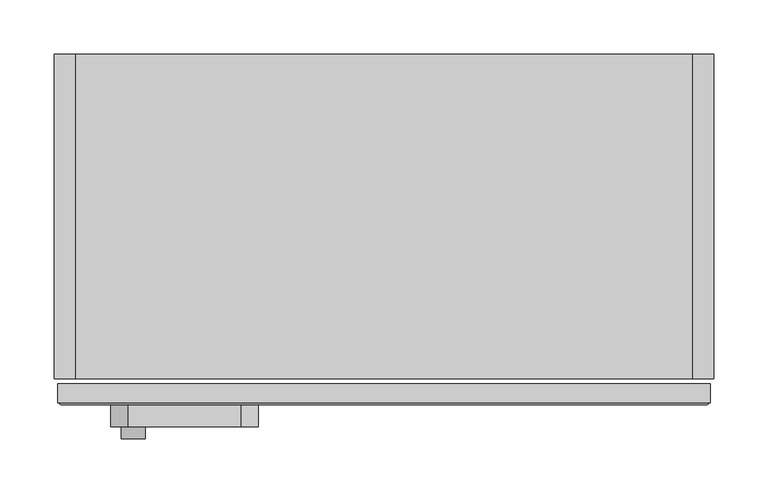
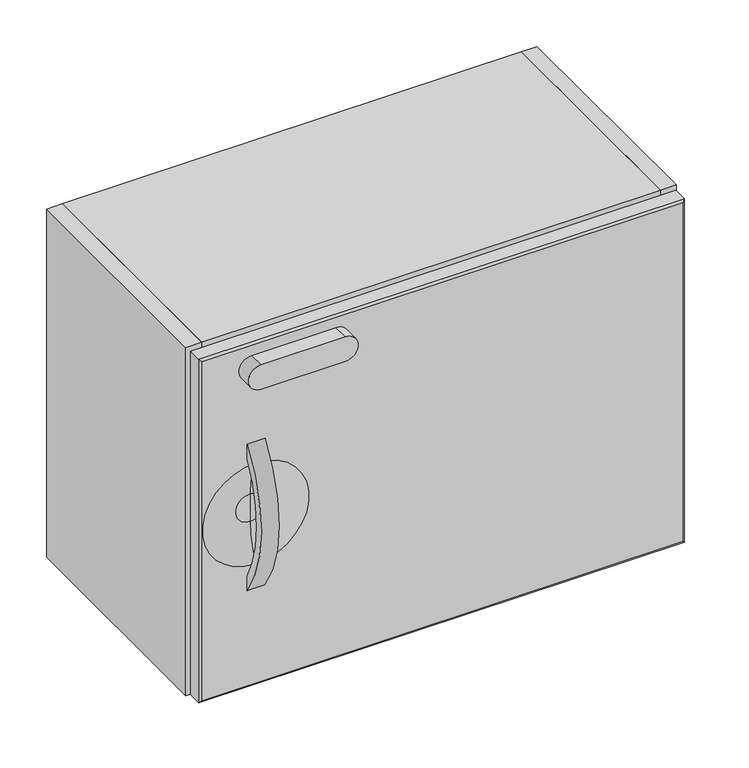
"""IFC4 building model written with IfcOpenShell, lengths in millimetres: furniture geometry."""

from ifc_helpers import new_model, si_unit, point, frame, frame_2d, origin, place, context, project, spatial, polyline, circle_curve, ellipse_curve, trimmed, segment, composite_curve, outline, extrude, source, transform, mapped, element, save
from ifc_brep_helpers import plane_surface, revolved_surface, advanced_brep


def furniture_ad2a8294(model_context):
    return source(origin(), model_context, "Body", "SolidModel", [
        extrude(outline(composite_curve([segment(polyline([(-162.2904196, 830.2662798), (-162.2904196, 811.3559696)]), True, "CONTINUOUS"), segment(trimmed(circle_curve(frame_2d((-32.4271698, 734.3812713)), 150.9621404), [point((-162.2904196, 811.3559696))], [point((-161.9885, 656.8994698))], True, "CARTESIAN"), True, "CONTINUOUS"), segment(polyline([(-161.9885, 656.8994698), (-161.9885, 638.0783392)]), True, "CONTINUOUS"), segment(trimmed(circle_curve(frame_2d((-29.1183363, 734.3812804)), 164.0997772), [point((-161.9885, 638.0783392))], [point((-162.2904196, 830.2662798))], False, "CARTESIAN"), True, "CONTINUOUS")], self_intersect=False)), frame((-242.8876393, 0.0, 0.0), z_axis=(1.0, 0.0, 0.0), x_axis=(0.0, 1.0, 0.0)), (0.0, 0.0, 1.0), 22.225),
        extrude(outline(composite_curve([segment(polyline([(944.4490146, -132.0165), (944.4490146, -236.7915)]), True, "CONTINUOUS"), segment(trimmed(circle_curve(frame_2d((928.5740146, -236.7915)), 15.875), [point((944.4490146, -236.7915))], [point((912.6990146, -236.7915))], False, "CARTESIAN"), True, "CONTINUOUS"), segment(polyline([(912.6990146, -236.7915), (912.6990146, -132.0165)]), True, "CONTINUOUS"), segment(trimmed(circle_curve(frame_2d((928.5740146, -132.0165)), 15.875), [point((912.6990146, -132.0165))], [point((944.4490146, -132.0165))], False, "CARTESIAN"), True, "CONTINUOUS")], self_intersect=False)), frame((0.0, -182.3085, 0.0), z_axis=(0.0, 1.0, 0.0), x_axis=(0.0, 0.0, 1.0)), (0.0, 0.0, 1.0), 20.32),
        advanced_brep(
        [(301.6248607, -142.4224067, 960.8313541), (301.6248607, -142.4224067, 509.9811966), (-301.6251393, -142.4224067, 509.9811966), (-301.6251393, -142.4224067, 960.8313541), (-301.6251393, -160.1558628, 960.8313541), (301.6248607, -160.1558628, 960.8313541), (-301.6251393, -160.1558628, 509.9811966), (301.6248607, -160.1558628, 509.9811966), (298.4498728, -161.9885, 957.6563571), (-298.4501423, -161.9885, 957.6563571), (-298.4501423, -161.9885, 513.1561966), (298.4498728, -161.9885, 513.1561966), (-231.7751393, -161.9885, 669.4361379), (-231.7751393, -161.9885, 801.3762554), (-231.7751393, -149.2885, 717.2249048), (-231.7751393, -149.2885, 753.5874884), (-231.7751393, -149.2885, 735.4061966)],
        [
            (0, 1),
            (1, 2),
            (2, 3),
            (3, 0),
            (3, 4),
            (4, 5),
            (5, 0),
            (2, 6),
            (6, 4),
            (1, 7),
            (7, 6),
            (5, 7),
            (8, 9),
            (9, 10),
            (10, 11),
            (11, 8),
            (12, 13, circle_curve(frame((-231.7751393, -161.9885, 735.4061966), z_axis=(0.0, 1.0, 0.0), x_axis=(0.0, 0.0, 1.0)), 65.9700587)),
            (13, 12, circle_curve(frame((-231.7751393, -161.9885, 735.4061966), z_axis=(0.0, 1.0, 0.0), x_axis=(0.0, 0.0, 1.0)), 65.9700587)),
            (8, 5),
            (4, 9),
            (6, 10),
            (7, 11),
            (12, 14, circle_curve(frame((-231.7751393, -245.550557, 717.2249048), z_axis=(1.0, 0.0, 0.0), x_axis=(0.0, 0.0, -1.0)), 96.262057)),
            (14, 15, circle_curve(frame((-231.7751393, -149.2885, 735.4061966), z_axis=(0.0, 1.0, 0.0), x_axis=(0.0, 0.0, 1.0)), 18.1812918)),
            (15, 13, circle_curve(frame((-231.7751393, -245.550557, 753.5874884), z_axis=(1.0, 0.0, 0.0), x_axis=(0.0, 0.0, 1.0)), 96.262057)),
            (15, 14, circle_curve(frame((-231.7751393, -149.2885, 735.4061966), z_axis=(0.0, 1.0, 0.0), x_axis=(0.0, 0.0, 1.0)), 18.1812918)),
            (14, 16),
            (16, 15),
        ],
        [
            plane_surface(frame((301.6248607, -142.4224067, 960.8313541), z_axis=(0.0, 1.0, 0.0), x_axis=(0.0, 0.0, -1.0))),
            plane_surface(frame((-301.6251393, -142.4224067, 960.8313541), z_axis=(0.0, 0.0, 1.0), x_axis=(0.0, -1.0, 0.0))),
            plane_surface(frame((-301.6251393, -142.4224067, 509.9811966), z_axis=(-1.0, 0.0, 0.0), x_axis=(0.0, -1.0, 0.0))),
            plane_surface(frame((301.6248607, -142.4224067, 509.9811966), z_axis=(0.0, 0.0, -1.0), x_axis=(0.0, -1.0, 0.0))),
            plane_surface(frame((301.6248607, -142.4224067, 960.8313541), z_axis=(1.0, 0.0, 0.0), x_axis=(0.0, -1.0, 0.0))),
            plane_surface(frame((-0.0001347, -161.9885, 735.4062768), z_axis=(0.0, -1.0, 0.0), x_axis=(0.0, 0.0, -1.0))),
            plane_surface(frame((-0.0001393, -160.1558628, 960.8313541), z_axis=(0.0, -0.8660783377624317, 0.49990830445058954), x_axis=(-1.0, 0.0, 0.0))),
            plane_surface(frame((-301.6251393, -160.1558628, 735.4062753), z_axis=(-0.4999083044258069, -0.8660783377767365, 0.0), x_axis=(0.0, 0.0, -1.0))),
            plane_surface(frame((-0.0001393, -160.1558628, 509.9811966), z_axis=(0.0, -0.8660785441759979, -0.4999079468442006), x_axis=(1.0, 0.0, 0.0))),
            plane_surface(frame((301.6248607, -160.1558628, 735.4062753), z_axis=(0.49990937729438395, -0.8660777185063366, 0.0), x_axis=(0.0, 0.0, 1.0))),
            revolved_surface(trimmed(ellipse_curve(frame((-231.7751393, -245.550557, 753.5874884), z_axis=(-1.0, 0.0, 0.0), x_axis=(0.0, 0.0, 1.0)), 96.262057, 96.262057), [point((-231.7751393, -161.9885, 801.3762554))], [point((-231.7751393, -149.2885, 753.5874884))], True, "CARTESIAN"), (-231.7751393, -161.9885, 735.4061966), (0.0, -1.0, 0.0)),
            plane_surface(frame((-231.7751393, -149.2885, 735.4061966), z_axis=(0.0, -1.0, 0.0), x_axis=(0.0, 0.0, 1.0))),
        ],
        [
            (0, [[1, 2, 3, 4]]),
            (1, [[-4, 5, 6, 7]]),
            (2, [[-3, 8, 9, -5]]),
            (3, [[-2, 10, 11, -8]]),
            (4, [[-1, -7, 12, -10]]),
            (5, [[13, 14, 15, 16], [17, 18]]),
            (6, [[-13, 19, -6, 20]]),
            (7, [[-14, -20, -9, 21]]),
            (8, [[-15, -21, -11, 22]]),
            (9, [[-16, -22, -12, -19]]),
            (10, [[23, 24, 25, -17]]),
            (10, [[-23, -18, -25, 26]]),
            (11, [[-24, 27, 28]]),
            (11, [[-26, -28, -27]]),
        ],
    ),
        extrude(outline(polyline([(-285.242818, -137.7319227), (-285.242818, 105.8671981), (285.242, 105.8671981), (285.242, -137.7319227), (-285.242818, -137.7319227)])), frame((0.0, 0.0, 608.4062814), z_axis=(0.0, 0.0, 1.0), x_axis=(1.0, 0.0, 0.0)), (0.0, 0.0, 1.0), 19.5572001),
        extrude(outline(polyline([(-304.8, 161.9885), (-285.242818, 161.9885), (-285.242818, -137.7319227), (-304.8, -137.7319227), (-304.8, 161.9885)])), frame((0.0, 0.0, 506.8061966), z_axis=(0.0, 0.0, 1.0), x_axis=(1.0, 0.0, 0.0)), (0.0, 0.0, 1.0), 457.2),
        extrude(outline(polyline([(285.242, 161.9885), (304.8, 161.9885), (304.8, -137.7319227), (285.242, -137.7319227), (285.242, 161.9885)])), frame((0.0, 0.0, 506.8061966), z_axis=(0.0, 0.0, 1.0), x_axis=(1.0, 0.0, 0.0)), (0.0, 0.0, 1.0), 457.2),
        extrude(outline(polyline([(-285.242818, 142.4313021), (-285.242818, 161.9885), (285.242, 161.9885), (285.242, 142.4313021), (-285.242818, 142.4313021)])), frame((0.0, 0.0, 526.3634694), z_axis=(0.0, 0.0, 1.0), x_axis=(1.0, 0.0, 0.0)), (0.0, 0.0, 1.0), 418.0855452),
        extrude(outline(polyline([(-285.242818, -137.7319227), (-285.242818, 161.9885), (285.242, 161.9885), (285.242, -137.7319227), (-285.242818, -137.7319227)])), frame((0.0, 0.0, 944.4490146), z_axis=(0.0, 0.0, 1.0), x_axis=(1.0, 0.0, 0.0)), (0.0, 0.0, 1.0), 19.557182),
        extrude(outline(polyline([(-285.242818, -137.7319227), (-285.242818, 161.9885), (285.242, 161.9885), (285.242, -137.7319227), (-285.242818, -137.7319227)])), frame((0.0, 0.0, 506.8061966), z_axis=(0.0, 0.0, 1.0), x_axis=(1.0, 0.0, 0.0)), (0.0, 0.0, 1.0), 19.5572728),
    ])


if __name__ == "__main__":
    model = new_model("IFC4")
    model_context = context("Model", 3, world=origin())
    ifc_project = project(units=[si_unit("LENGTHUNIT", "METRE", prefix="MILLI")], contexts=[model_context])
    site = spatial("IfcSite", under=ifc_project)
    building = spatial("IfcBuilding", under=site)
    placement = place(None, origin())
    furniture_shape = furniture_ad2a8294(model_context)
    element("IfcFurniture", 1, at=placement, inside=building, context=model_context, shape_type="MappedRepresentation", body=[
        mapped(furniture_shape, transform((0.0, 0.0, 0.0), x_axis=(1.0, 0.0, 0.0), y_axis=(0.0, 1.0, 0.0), z_axis=(0.0, 0.0, 1.0))),
    ])
    save(model, "model.ifc")
